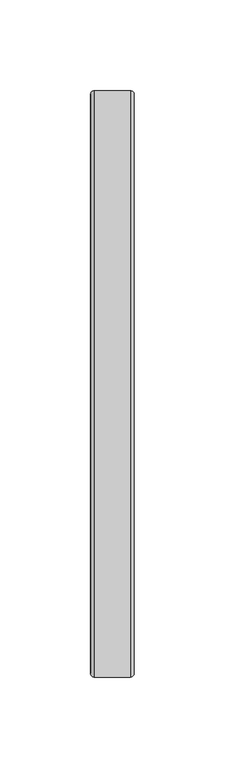
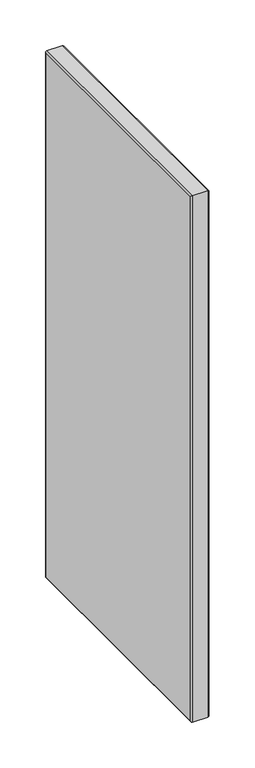
"""IFC4 building model written with IfcOpenShell, lengths in millimetres: furniture geometry."""

from ifc_helpers import new_model, si_unit, frame, origin, place, context, project, spatial, polyline, ellipse_curve, outline, extrude, source, transform, mapped, element, save
from ifc_brep_helpers import plane_surface, cylinder_surface, advanced_brep


def furniture_6bf60c31(model_context):
    return source(origin(), model_context, "Body", "SolidModel", [
        extrude(outline(polyline([(-0.0254, 71.9582), (-0.0254, -247.1166), (-24.0253997, -247.1166), (-24.0253997, 71.9582), (-0.0254, 71.9582)])), frame((0.0, 0.0, 1.9812), z_axis=(0.0, 0.0, 1.0), x_axis=(1.0, 0.0, 0.0)), (0.0, 0.0, 1.0), 707.2122),
        advanced_brep(
        [(-22.0187997, -249.1232, 711.2), (-24.0253997, -247.1166, 709.1934), (-24.0253997, -247.1166, 1.9812), (-22.0187997, -249.1232, -0.0254), (-2.032, -249.1232, 711.2), (-2.032, -249.1232, -0.0254), (-0.0254, -247.1166, 709.1934), (-0.0254, -247.1166, 1.9812), (-24.0253997, 71.9582, 1.9812), (-22.0187997, 73.9648, -0.0254), (-2.032, 73.9648, -0.0254), (-0.0254, 71.9582, 1.9812), (-24.0253997, 71.9582, 709.1934), (-22.0187997, 73.9648, 711.2), (-2.032, 73.9648, 711.2), (-0.0254, 71.9582, 709.1934)],
        [
            (0, 1, ellipse_curve(frame((-22.0187997, -247.1166, 709.1934), z_axis=(0.0, -0.7071067811865475, -0.7071067811865475), x_axis=(0.0, -0.7071067811865474, 0.7071067811865476)), 2.8377609, 2.0066)),
            (1, 2),
            (2, 3, ellipse_curve(frame((-22.0187997, -247.1166, 1.9812), z_axis=(0.0, -0.7071067811865475, 0.7071067811865475), x_axis=(0.0, 0.7071067811865474, 0.7071067811865476)), 2.8377609, 2.0066)),
            (3, 0),
            (4, 0),
            (3, 5),
            (5, 4),
            (6, 4, ellipse_curve(frame((-2.032, -247.1166, 709.1934), z_axis=(0.0, -0.7071067811865475, -0.7071067811865475), x_axis=(0.0, -0.7071067811865474, 0.7071067811865476)), 2.8377609, 2.0066)),
            (5, 7, ellipse_curve(frame((-2.032, -247.1166, 1.9812), z_axis=(0.0, -0.7071067811865475, 0.7071067811865475), x_axis=(0.0, 0.7071067811865474, 0.7071067811865476)), 2.8377609, 2.0066)),
            (7, 6),
            (1, 6),
            (7, 2),
            (2, 8),
            (8, 9, ellipse_curve(frame((-22.0187997, 71.9582, 1.9812), z_axis=(0.0, -0.7071067811865475, -0.7071067811865475), x_axis=(0.0, -0.7071067811865476, 0.7071067811865474)), 2.8377609, 2.0066)),
            (9, 3),
            (9, 10),
            (10, 5),
            (10, 11, ellipse_curve(frame((-2.032, 71.9582, 1.9812), z_axis=(0.0, -0.7071067811865475, -0.7071067811865475), x_axis=(0.0, -0.7071067811865476, 0.7071067811865474)), 2.8377609, 2.0066)),
            (11, 7),
            (11, 8),
            (8, 12),
            (12, 13, ellipse_curve(frame((-22.0187997, 71.9582, 709.1934), z_axis=(0.0, 0.7071067811865475, -0.7071067811865475), x_axis=(0.0, -0.7071067811865474, -0.7071067811865476)), 2.8377609, 2.0066)),
            (13, 9),
            (13, 14),
            (14, 10),
            (14, 15, ellipse_curve(frame((-2.032, 71.9582, 709.1934), z_axis=(0.0, 0.7071067811865475, -0.7071067811865475), x_axis=(0.0, -0.7071067811865474, -0.7071067811865476)), 2.8377609, 2.0066)),
            (15, 11),
            (15, 12),
            (12, 1),
            (0, 13),
            (4, 14),
            (6, 15),
        ],
        [
            cylinder_surface(frame((-22.0187997, -247.1166, 709.1934), z_axis=(0.0, 0.0, 1.0), x_axis=(0.0, 1.0, 0.0)), 2.0066),
            plane_surface(frame((-22.0187997, -249.1232, 711.2), z_axis=(0.0, -1.0, 0.0), x_axis=(0.0, 0.0, -1.0))),
            cylinder_surface(frame((-2.032, -247.1166, 709.1934), z_axis=(0.0, 0.0, 1.0), x_axis=(0.0, 1.0, 0.0)), 2.0066),
            plane_surface(frame((-0.0254, -247.1166, 709.1934), z_axis=(0.0, 1.0, 0.0), x_axis=(0.0, 0.0, -1.0))),
            cylinder_surface(frame((-22.0187997, -247.1166, 1.9812), z_axis=(0.0, -1.0, 0.0), x_axis=(0.0, 0.0, 1.0)), 2.0066),
            plane_surface(frame((-22.0187997, -249.1232, -0.0254), z_axis=(0.0, 0.0, -1.0), x_axis=(0.0, 1.0, 0.0))),
            cylinder_surface(frame((-2.032, -247.1166, 1.9812), z_axis=(0.0, -1.0, 0.0), x_axis=(0.0, 0.0, 1.0)), 2.0066),
            plane_surface(frame((-0.0254, -247.1166, 1.9812), z_axis=(0.0, 0.0, 1.0), x_axis=(0.0, 1.0, 0.0))),
            cylinder_surface(frame((-22.0187997, 71.9582, 1.9812), z_axis=(0.0, 0.0, -1.0), x_axis=(0.0, -1.0, 0.0)), 2.0066),
            plane_surface(frame((-22.0187997, 73.9648, -0.0254), z_axis=(0.0, 1.0, 0.0), x_axis=(0.0, 0.0, 1.0))),
            cylinder_surface(frame((-2.032, 71.9582, 1.9812), z_axis=(0.0, 0.0, -1.0), x_axis=(0.0, -1.0, 0.0)), 2.0066),
            plane_surface(frame((-0.0254, 71.9582, 1.9812), z_axis=(0.0, -1.0, 0.0), x_axis=(0.0, 0.0, 1.0))),
            cylinder_surface(frame((-22.0187997, 71.9582, 709.1934), z_axis=(0.0, 1.0, 0.0), x_axis=(0.0, 0.0, -1.0)), 2.0066),
            plane_surface(frame((-22.0187997, 73.9648, 711.2), z_axis=(0.0, 0.0, 1.0), x_axis=(0.0, -1.0, 0.0))),
            cylinder_surface(frame((-2.032, 71.9582, 709.1934), z_axis=(0.0, 1.0, 0.0), x_axis=(0.0, 0.0, -1.0)), 2.0066),
            plane_surface(frame((-0.0254, 71.9582, 709.1934), z_axis=(0.0, 0.0, -1.0), x_axis=(0.0, -1.0, 0.0))),
        ],
        [
            (0, [[1, 2, 3, 4]]),
            (1, [[5, -4, 6, 7]]),
            (2, [[8, -7, 9, 10]]),
            (3, [[11, -10, 12, -2]]),
            (4, [[-3, 13, 14, 15]]),
            (5, [[-6, -15, 16, 17]]),
            (6, [[-9, -17, 18, 19]]),
            (7, [[-12, -19, 20, -13]]),
            (8, [[-14, 21, 22, 23]]),
            (9, [[-16, -23, 24, 25]]),
            (10, [[-18, -25, 26, 27]]),
            (11, [[-20, -27, 28, -21]]),
            (12, [[-22, 29, -1, 30]]),
            (13, [[-24, -30, -5, 31]]),
            (14, [[-26, -31, -8, 32]]),
            (15, [[-28, -32, -11, -29]]),
        ],
    ),
    ])


if __name__ == "__main__":
    model = new_model("IFC4")
    model_context = context("Model", 3, world=origin())
    ifc_project = project(units=[si_unit("LENGTHUNIT", "METRE", prefix="MILLI")], contexts=[model_context])
    site = spatial("IfcSite", under=ifc_project)
    building = spatial("IfcBuilding", under=site)
    placement = place(None, origin())
    furniture_shape = furniture_6bf60c31(model_context)
    element("IfcFurniture", 1, at=placement, inside=building, context=model_context, shape_type="MappedRepresentation", body=[
        mapped(furniture_shape, transform((0.0, 0.0, 0.0), x_axis=(1.0, 0.0, 0.0), y_axis=(0.0, 1.0, 0.0), z_axis=(0.0, 0.0, 1.0))),
    ])
    save(model, "model.ifc")
